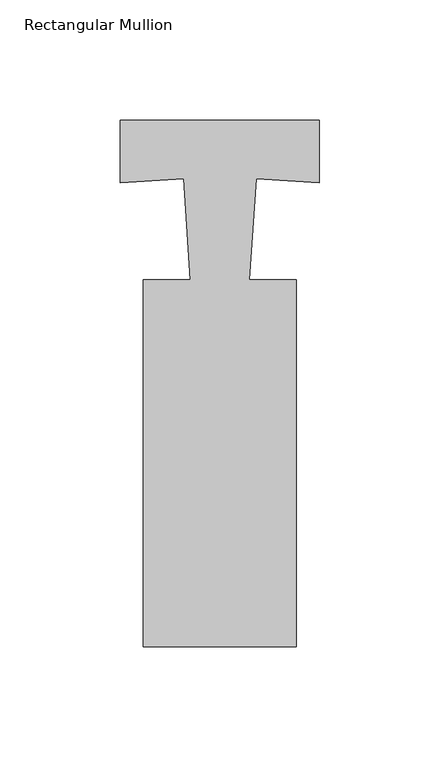
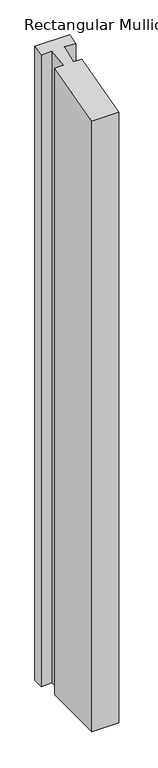
"""IFC4 building model written with IfcOpenShell, lengths in millimetres: member geometry, Rectangular Mullion."""

from ifc_helpers import new_model, si_unit, origin, place, context, project, spatial, faceted_brep, source, transform, mapped, element, save


def rectangular_mullion_1efc5dad(model_context):
    return source(origin(), model_context, "Body", "Brep", [
        faceted_brep([(-31.75, -1.599593, -1575.3073102), (-12.2225614, -1.599593, -1575.3073102), (-15.0378507, 40.3328421, -1575.3073102), (-41.2744654, 38.5713499, -1575.3073102), (-41.2744654, 64.4370904, -1575.3073102), (41.2744654, 64.4370904, -1575.3073102), (41.2744654, 38.5713499, -1575.3073102), (15.0378507, 40.3328421, -1575.3073102), (12.2225614, -1.599593, -1575.3073102), (31.75, -1.599593, -1575.3073102), (31.75, -153.999593, -1575.3073102), (-31.75, -153.999593, -1575.3073102), (-31.75, -153.999593, -41.2296818), (-31.75, -1.599593, -0.4282525), (31.75, -153.999593, -41.2296818), (31.75, -1.599593, -0.4282525), (12.2225614, -1.599593, -0.4282525), (15.0378507, 40.3328421, 10.798147), (41.2744654, 38.5713499, 10.3265499), (41.2744654, 64.4370904, 17.2514789), (-41.2744654, 64.4370904, 17.2514789), (-41.2744654, 38.5713499, 10.3265499), (-15.0378507, 40.3328421, 10.798147), (-12.2225614, -1.599593, -0.4282525)], [[[0, 1, 2, 3, 4, 5, 6, 7, 8, 9, 10, 11]], [[12, 13, 0, 11]], [[14, 12, 11, 10]], [[15, 14, 10, 9]], [[16, 15, 9, 8]], [[17, 16, 8, 7]], [[18, 17, 7, 6]], [[19, 18, 6, 5]], [[20, 19, 5, 4]], [[21, 20, 4, 3]], [[22, 21, 3, 2]], [[23, 22, 2, 1]], [[13, 23, 1, 0]], [[13, 12, 14, 15, 16, 17, 18, 19, 20, 21, 22, 23]]]),
    ])


if __name__ == "__main__":
    model = new_model("IFC4")
    model_context = context("Model", 3, world=origin())
    ifc_project = project(units=[si_unit("LENGTHUNIT", "METRE", prefix="MILLI")], contexts=[model_context])
    site = spatial("IfcSite", under=ifc_project)
    building = spatial("IfcBuilding", under=site)
    placement = place(None, origin())
    rectangular_mullion_shape = rectangular_mullion_1efc5dad(model_context)
    element("IfcMember", 1, ObjectType="Rectangular Mullion", at=placement, inside=building, context=model_context, shape_type="MappedRepresentation", body=[
        mapped(rectangular_mullion_shape, transform((0.0, 0.0, 0.0), x_axis=(1.0, 0.0, 0.0), y_axis=(0.0, 1.0, 0.0), z_axis=(0.0, 0.0, 1.0))),
    ])
    save(model, "model.ifc")
